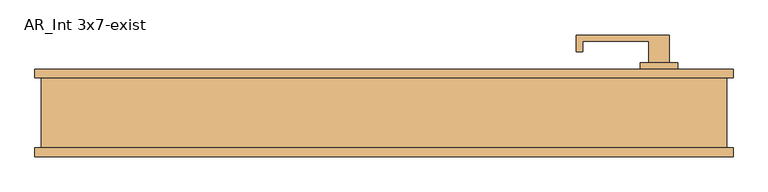
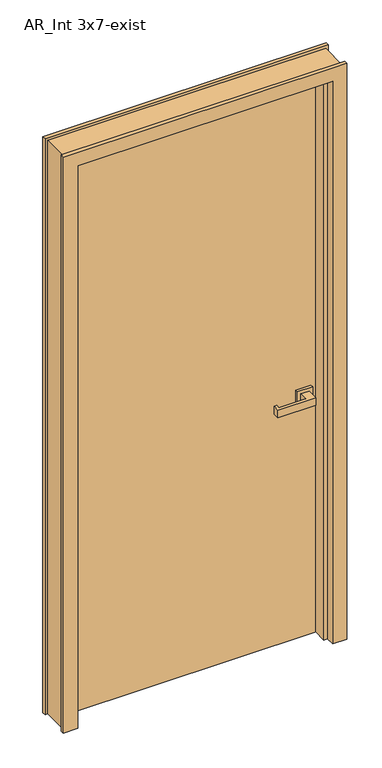
"""IFC4 building model written with IfcOpenShell, lengths in millimetres: door geometry, AR_Int 3x7-exist."""

import ifcopenshell
import ifcopenshell.guid

model = None  # the IFC model being written
_history = None  # IfcOwnerHistory: only IFC2X3 demands one
_inside = {}  # id of a spatial element -> (the spatial element, [elements in it])
_under = {}  # id of a project, library or spatial element -> (it, [spatial elements below it])
_declared = {}  # id of a project -> (the project, [libraries it declares])
_typed = {}  # id of a type object -> (the type object, [elements of that type])
_made_of = {}  # id of a material, layer set ... -> (it, [elements and type objects made of it])


def new_model(schema):
    """Start an empty IFC model of exactly this schema.

    Asked for "IFC4X3", IfcOpenShell would pick the latest addendum, in which some entities
    have other attributes; the version numbers below select the first issue.
    IFC2X3 requires an IfcOwnerHistory on every rooted entity: one is made here for all.
    """
    global model, _history
    if schema == "IFC4X3":
        model = ifcopenshell.file(schema_version=(4, 3, 0, 0))
    else:
        model = ifcopenshell.file(schema=schema)
    _inside.clear()
    _under.clear()
    _declared.clear()
    _typed.clear()
    _made_of.clear()
    _history = None
    if model.schema == "IFC2X3":
        org = make("IfcOrganization", Name="unknown")
        user = make(
            "IfcPersonAndOrganization",
            ThePerson=make("IfcPerson", FamilyName="unknown"),
            TheOrganization=org,
        )
        app = make(
            "IfcApplication",
            ApplicationDeveloper=org,
            Version="unknown",
            ApplicationFullName="unknown",
            ApplicationIdentifier="unknown",
        )
        _history = make(
            "IfcOwnerHistory",
            OwningUser=user,
            OwningApplication=app,
            ChangeAction="ADDED",
            CreationDate=0,
        )
    return model


def make(cls, **values):
    """One entity of the class cls with the attributes given. An attribute that is None is left unset."""
    return model.create_entity(
        cls, **{name: value for name, value in values.items() if value is not None}
    )


def rooted(cls, **values):
    """An entity with a GlobalId (a new one), such as an element, a storey or a relation."""
    return make(cls, GlobalId=ifcopenshell.guid.new(), OwnerHistory=_history, **values)


def si_unit(unit_type, name, prefix=None):
    """IfcSIUnit, for example si_unit("LENGTHUNIT", "METRE", prefix="MILLI")."""
    return make("IfcSIUnit", UnitType=unit_type, Prefix=prefix, Name=name)


def assignment(units):
    """IfcUnitAssignment: the units of a project."""
    return None if units is None else make("IfcUnitAssignment", Units=units)


def point(xyz):
    """IfcCartesianPoint."""
    return None if xyz is None else make("IfcCartesianPoint", Coordinates=xyz)


def direction(xyz):
    """IfcDirection."""
    return None if xyz is None else make("IfcDirection", DirectionRatios=xyz)


def frame(location, z_axis=None, x_axis=None):
    """IfcAxis2Placement3D, a coordinate frame: its origin and axes. An axis left out is left unset."""
    return make(
        "IfcAxis2Placement3D",
        Location=point(location),
        Axis=direction(z_axis),
        RefDirection=direction(x_axis),
    )


def origin():
    """The frame at (0, 0, 0) with its axes left unset."""
    return frame((0.0, 0.0, 0.0))


def origin_with_axes():
    """The frame at (0, 0, 0) with the z axis (0, 0, 1) and the x axis (1, 0, 0) written out."""
    return frame((0.0, 0.0, 0.0), z_axis=(0.0, 0.0, 1.0), x_axis=(1.0, 0.0, 0.0))


def place(relative_to, where):
    """IfcLocalPlacement: puts the frame where relative to a parent placement (None: the world)."""
    return make(
        "IfcLocalPlacement", PlacementRelTo=relative_to, RelativePlacement=where
    )


def context(
    kind, dimensions, precision=None, world=None, true_north=None, identifier=None
):
    """IfcGeometricRepresentationContext, for example the 3D "Model" context."""
    return make(
        "IfcGeometricRepresentationContext",
        ContextIdentifier=identifier,
        ContextType=kind,
        CoordinateSpaceDimension=dimensions,
        Precision=precision,
        WorldCoordinateSystem=world,
        TrueNorth=true_north,
    )


def project(units=None, contexts=None):
    """IfcProject with its units and contexts."""
    return rooted(
        "IfcProject",
        Name="project",
        RepresentationContexts=contexts,
        UnitsInContext=assignment(units),
    )


def spatial(cls, under=None, at=None, **own):
    """A site, building, storey or space (cls), placed at a placement, below another one or the project."""
    s = rooted(cls, ObjectPlacement=at, **own)
    if under is not None:
        _under.setdefault(under.id(), (under, []))[1].append(s)
    return s


def polyline(points):
    """IfcPolyline through the points."""
    return make("IfcPolyline", Points=[point(p) for p in points])


def outline(outer, holes=None, kind="AREA"):
    """IfcArbitraryClosedProfileDef: a profile drawn as a closed curve; with holes, ...WithVoids."""
    if holes is None:
        return make("IfcArbitraryClosedProfileDef", ProfileType=kind, OuterCurve=outer)
    return make(
        "IfcArbitraryProfileDefWithVoids",
        ProfileType=kind,
        OuterCurve=outer,
        InnerCurves=holes,
    )


def extrude(swept, where, along, depth):
    """IfcExtrudedAreaSolid: the profile swept, set in the frame where, extruded along a direction by depth."""
    return make(
        "IfcExtrudedAreaSolid",
        SweptArea=swept,
        Position=where,
        ExtrudedDirection=direction(along),
        Depth=depth,
    )


def faces_of(points, faces, orient=None, outer=None):
    """IfcFace entities. A face is a list of loops; a loop is a list of indices into points, from 0.

    orient and outer hold one flag for each loop. By default every Orientation is true, the
    first loop of a face is its IfcFaceOuterBound and the others are IfcFaceBound.
    """
    made = []
    for i, loops in enumerate(faces):
        bounds = []
        for j, loop in enumerate(loops):
            is_outer = j == 0 if outer is None else outer[i][j]
            bounds.append(
                make(
                    "IfcFaceOuterBound" if is_outer else "IfcFaceBound",
                    Bound=make("IfcPolyLoop", Polygon=[points[k] for k in loop]),
                    Orientation=True if orient is None else orient[i][j],
                )
            )
        made.append(make("IfcFace", Bounds=bounds))
    return made


def faceted_brep(points, faces, orient=None, outer=None, voids=None):
    """IfcFacetedBrep: a solid bounded by flat faces; with voids (closed shells), ...WithVoids."""
    shared = [point(p) for p in points]
    hull = make("IfcClosedShell", CfsFaces=faces_of(shared, faces, orient, outer))
    if voids is None:
        return make("IfcFacetedBrep", Outer=hull)
    return make(
        "IfcFacetedBrepWithVoids",
        Outer=hull,
        Voids=[
            make(cls, CfsFaces=faces_of(shared, fs, o, b)) for cls, fs, o, b in voids
        ],
    )


def shape(context_of_items, identifier, shape_type, items):
    """IfcShapeRepresentation: the items that make up one representation, for example the "Body"."""
    return make(
        "IfcShapeRepresentation",
        ContextOfItems=context_of_items,
        RepresentationIdentifier=identifier,
        RepresentationType=shape_type,
        Items=items,
    )


def source(mapping_origin, context_of_items, identifier, shape_type, items):
    """IfcRepresentationMap: a shape defined once, which mapped items show again and again."""
    return make(
        "IfcRepresentationMap",
        MappingOrigin=mapping_origin,
        MappedRepresentation=shape(context_of_items, identifier, shape_type, items),
    )


def transform(
    local_origin,
    x_axis=None,
    y_axis=None,
    z_axis=None,
    scale=None,
    scale2=None,
    scale3=None,
    uniform=True,
):
    """IfcCartesianTransformationOperator3D, or its non-uniform kind. x_axis, y_axis, z_axis: its Axis1, 2, 3."""
    if uniform:
        return make(
            "IfcCartesianTransformationOperator3D",
            Axis1=direction(x_axis),
            Axis2=direction(y_axis),
            LocalOrigin=point(local_origin),
            Scale=scale,
            Axis3=direction(z_axis),
        )
    return make(
        "IfcCartesianTransformationOperator3DnonUniform",
        Axis1=direction(x_axis),
        Axis2=direction(y_axis),
        LocalOrigin=point(local_origin),
        Scale=scale,
        Axis3=direction(z_axis),
        Scale2=scale2,
        Scale3=scale3,
    )


def mapped(mapping_source, mapping_target):
    """IfcMappedItem: shows the shape of a source again, moved by a transform."""
    return make(
        "IfcMappedItem", MappingSource=mapping_source, MappingTarget=mapping_target
    )


def made_of(thing, what):
    """Note that an element or type object is made of a material, layer set ...; save() writes the relation."""
    if what is not None:
        _made_of.setdefault(what.id(), (what, []))[1].append(thing)
    return thing


def element(
    cls,
    number,
    at=None,
    inside=None,
    cuts=None,
    type_object=None,
    material=None,
    context=None,
    identifier="Body",
    shape_type=None,
    held_by="IfcProductDefinitionShape",
    body=None,
    shapes=None,
    **own,
):
    """One element of the class cls, such as IfcWall. Its Tag is "e" and its number.

    at: its placement. inside: the storey or other place that contains it. cuts: it is an
    opening in that element (IfcRelVoidsElement). A single representation is given by context,
    identifier, shape_type and body (its items); several are given by shapes. held_by: the class
    of the entity that holds the representations. save() writes the other relations.
    """
    e = rooted(cls, Tag="e%d" % number, ObjectPlacement=at, **own)
    if body is not None:
        shapes = [shape(context, identifier, shape_type, body)]
    if shapes is not None:
        e.Representation = make(held_by, Representations=shapes)
    if inside is not None:
        _inside.setdefault(inside.id(), (inside, []))[1].append(e)
    if cuts is not None:
        rooted(
            "IfcRelVoidsElement", RelatingBuildingElement=cuts, RelatedOpeningElement=e
        )
    if type_object is not None:
        _typed.setdefault(type_object.id(), (type_object, []))[1].append(e)
    return made_of(e, material)


def aggregate(whole, parts):
    """IfcRelAggregates: a whole, such as a stair, and the parts it consists of."""
    return rooted("IfcRelAggregates", RelatingObject=whole, RelatedObjects=parts)


def save(model, path):
    """Write the relations noted so far, then the file.

    IfcRelAggregates (storeys below a building ...), IfcRelContainedInSpatialStructure (elements
    in a storey), IfcRelDefinesByType, IfcRelAssociatesMaterial and IfcRelDeclares: one each for
    every whole, place, type object, material and project.
    """
    for whole, parts in _under.values():
        aggregate(whole, parts)
    for where, things in _inside.values():
        rooted(
            "IfcRelContainedInSpatialStructure",
            RelatedElements=things,
            RelatingStructure=where,
        )
    for kind, things in _typed.values():
        rooted("IfcRelDefinesByType", RelatedObjects=things, RelatingType=kind)
    for what, things in _made_of.values():
        rooted("IfcRelAssociatesMaterial", RelatedObjects=things, RelatingMaterial=what)
    for by, libraries in _declared.values():
        rooted("IfcRelDeclares", RelatingContext=by, RelatedDefinitions=libraries)
    model.write(path)


def ar_int_3x7_exist_e98cc926(model_context):
    return source(origin(), model_context, "Body", "SolidModel", [
        faceted_brep([(-406.5493445, 65.7545325, 0.0), (-355.7493445, 65.7545325, 0.0), (-355.7493445, 21.3045325, 0.0), (-343.0493445, 21.3045325, 0.0), (-343.0493445, -29.4954675, 0.0), (-355.7493445, -29.4954675, 0.0), (-355.7493445, -61.2454675, 0.0), (-406.5493445, -61.2454675, 0.0), (-406.5493445, -48.5454675, 0.0), (-397.0243445, -48.5454675, 0.0), (-397.0243445, 53.0545325, 0.0), (-406.5493445, 53.0545325, 0.0), (-355.7493445, 65.7545325, 2133.6), (-355.7493445, 21.3045325, 2133.6), (-343.0493445, 21.3045325, 2120.9), (-343.0493445, -29.4954675, 2120.9), (-355.7493445, -29.4954675, 2133.6), (-355.7493445, -61.2454675, 2133.6), (609.4506555, 65.7545325, 0.0), (609.4506555, 65.7545325, 2184.4), (609.4506555, 53.0545325, 2184.4), (609.4506555, 53.0545325, 0.0), (609.4506555, -61.2454675, 2184.4), (609.4506555, -61.2454675, 0.0), (609.4506555, -48.5454675, 0.0), (609.4506555, -48.5454675, 2184.4), (558.6506555, -61.2454675, 2133.6), (558.6506555, -61.2454675, 0.0), (-406.5493445, -61.2454675, 2184.4), (558.6506555, -29.4954675, 0.0), (545.9506555, -29.4954675, 0.0), (545.9506555, 21.3045325, 0.0), (558.6506555, 21.3045325, 0.0), (558.6506555, 65.7545325, 0.0), (599.9256555, 53.0545325, 0.0), (599.9256555, -48.5454675, 0.0), (-406.5493445, 65.7545325, 2184.4), (558.6506555, 65.7545325, 2133.6), (-406.5493445, -48.5454675, 2184.4), (-406.5493445, 53.0545325, 2184.4), (558.6506555, -29.4954675, 2133.6), (545.9506555, -29.4954675, 2120.9), (545.9506555, 21.3045325, 2120.9), (558.6506555, 21.3045325, 2133.6), (599.9256555, 53.0545325, 2174.875), (-397.0243445, 53.0545325, 2174.875), (599.9256555, -48.5454675, 2174.875), (-397.0243445, -48.5454675, 2174.875)], [[[0, 1, 2, 3, 4, 5, 6, 7, 8, 9, 10, 11]], [[2, 1, 12, 13]], [[4, 3, 14, 15]], [[6, 5, 16, 17]], [[18, 19, 20, 21]], [[22, 23, 24, 25]], [[7, 6, 17, 26, 27, 23, 22, 28]], [[23, 27, 29, 30, 31, 32, 33, 18, 21, 34, 35, 24]], [[1, 0, 36, 19, 18, 33, 37, 12]], [[7, 28, 38, 8]], [[36, 0, 11, 39]], [[29, 27, 26, 40]], [[5, 4, 15, 41, 30, 29, 40, 16]], [[31, 30, 41, 42]], [[3, 2, 13, 43, 32, 31, 42, 14]], [[33, 32, 43, 37]], [[28, 22, 25, 38]], [[19, 36, 39, 20]], [[17, 16, 40, 26]], [[15, 14, 42, 41]], [[13, 12, 37, 43]], [[44, 34, 21, 20, 39, 11, 10, 45]], [[35, 46, 47, 9, 8, 38, 25, 24]], [[45, 10, 9, 47]], [[34, 44, 46, 35]], [[46, 44, 45, 47]]]),
        extrude(outline(polyline([(516.5006555, -28.6954675), (381.5006555, -28.6954675), (381.5006555, -4.6954675), (390.5006555, -4.6954675), (390.5006555, -19.6954675), (486.5006555, -19.6954675), (486.5006555, 11.3045325), (516.5006555, 11.3045325), (516.5006555, -28.6954675)])), frame((0.0, 0.0, 899.4), z_axis=(0.0, 0.0, 1.0), x_axis=(1.0, 0.0, 0.0)), (0.0, 0.0, 1.0), 30.0),
        extrude(outline(polyline([(474.0006555, 11.3045325), (474.0006555, 21.3045325), (529.0006555, 21.3045325), (529.0006555, 11.3045325), (474.0006555, 11.3045325)])), frame((0.0, 0.0, 886.9), z_axis=(0.0, 0.0, 1.0), x_axis=(1.0, 0.0, 0.0)), (0.0, 0.0, 1.0), 55.0),
        extrude(outline(polyline([(516.5006555, 115.7545325), (516.5006555, 75.7545325), (486.5006555, 75.7545325), (486.5006555, 106.7545325), (390.5006555, 106.7545325), (390.5006555, 91.7545325), (381.5006555, 91.7545325), (381.5006555, 115.7545325), (516.5006555, 115.7545325)])), frame((0.0, 0.0, 899.4), z_axis=(0.0, 0.0, 1.0), x_axis=(1.0, 0.0, 0.0)), (0.0, 0.0, 1.0), 30.0),
        extrude(outline(polyline([(474.0006555, 75.7545325), (529.0006555, 75.7545325), (529.0006555, 65.7545325), (474.0006555, 65.7545325), (474.0006555, 75.7545325)])), frame((0.0, 0.0, 886.9), z_axis=(0.0, 0.0, 1.0), x_axis=(1.0, 0.0, 0.0)), (0.0, 0.0, 1.0), 55.0),
        extrude(outline(polyline([(-355.7493445, 65.7545325), (558.6506555, 65.7545325), (558.6506555, 21.3045325), (-355.7493445, 21.3045325), (-355.7493445, 65.7545325)])), origin_with_axes(), (0.0, 0.0, 1.0), 2133.6),
    ])


if __name__ == "__main__":
    model = new_model("IFC4")
    model_context = context("Model", 3, world=origin())
    ifc_project = project(units=[si_unit("LENGTHUNIT", "METRE", prefix="MILLI")], contexts=[model_context])
    site = spatial("IfcSite", under=ifc_project)
    building = spatial("IfcBuilding", under=site)
    placement = place(None, origin())
    ar_int_3x7_exist_shape = ar_int_3x7_exist_e98cc926(model_context)
    element("IfcDoor", 1, ObjectType="AR_Int 3x7-exist", at=placement, inside=building, context=model_context, shape_type="MappedRepresentation", body=[
        mapped(ar_int_3x7_exist_shape, transform((0.0, 0.0, 0.0), x_axis=(1.0, 0.0, 0.0), y_axis=(0.0, 1.0, 0.0), z_axis=(0.0, 0.0, 1.0))),
    ])
    save(model, "model.ifc")
